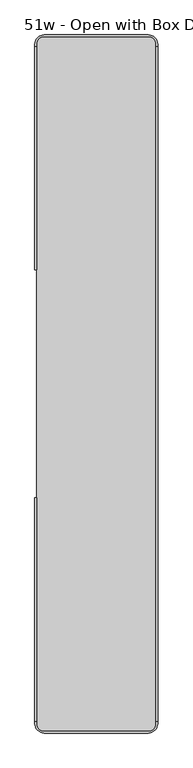
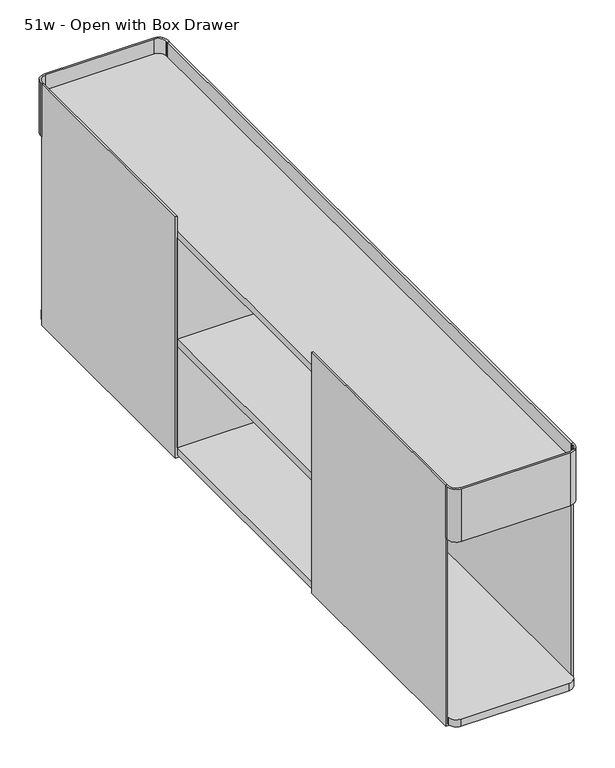
"""IFC4 building model written with IfcOpenShell, lengths in millimetres: furniture geometry, 51w - Open with Box Drawer."""

from ifc_helpers import new_model, si_unit, point, frame, frame_2d, origin, place, context, project, spatial, polyline, circle_curve, trimmed, segment, composite_curve, outline, extrude, source, transform, mapped, element, save


def furniture_51w_open_with_box_drawer_61a7637a(model_context):
    return source(origin(), model_context, "Body", "SweptSolid", [
        extrude(outline(composite_curve([segment(trimmed(circle_curve(frame_2d((96.8375, 798.524692)), 17.4625), [point((96.8375, 815.987192))], [point((114.3, 798.524692))], False, "CARTESIAN"), True, "CONTINUOUS"), segment(polyline([(114.3, 798.524692), (114.3, 795.349692), (111.125, 795.349692), (111.125, 798.524692)]), True, "CONTINUOUS"), segment(trimmed(circle_curve(frame_2d((96.8375, 798.524692)), 14.2875), [point((111.125, 798.524692))], [point((96.8375, 812.812192))], True, "CARTESIAN"), True, "CONTINUOUS"), segment(polyline([(96.8375, 812.812192), (-96.8375, 812.812192)]), True, "CONTINUOUS"), segment(trimmed(circle_curve(frame_2d((-96.8375, 798.524692)), 14.2875), [point((-96.8375, 812.812192))], [point((-111.125, 798.524692))], True, "CARTESIAN"), True, "CONTINUOUS"), segment(polyline([(-111.125, 798.524692), (-111.125, 795.349692), (-114.3, 795.349692), (-114.3, 798.524692)]), True, "CONTINUOUS"), segment(trimmed(circle_curve(frame_2d((-96.8375, 798.524692)), 17.4625), [point((-114.3, 798.524692))], [point((-96.8375, 815.987192))], False, "CARTESIAN"), True, "CONTINUOUS"), segment(polyline([(-96.8375, 815.987192), (96.8375, 815.987192)]), True, "CONTINUOUS")], self_intersect=False)), frame((0.0, 0.0, 636.5875), z_axis=(0.0, 0.0, 1.0), x_axis=(1.0, 0.0, 0.0)), (0.0, 0.0, 1.0), 100.0125),
        extrude(outline(composite_curve([segment(polyline([(96.8375, -479.412808), (-96.8375, -479.412808)]), True, "CONTINUOUS"), segment(trimmed(circle_curve(frame_2d((-96.8375, -461.950308)), 17.4625), [point((-96.8375, -479.412808))], [point((-114.3, -461.950308))], False, "CARTESIAN"), True, "CONTINUOUS"), segment(polyline([(-114.3, -461.950308), (-114.3, -458.775308), (-111.125, -458.775308), (-111.125, -461.950308)]), True, "CONTINUOUS"), segment(trimmed(circle_curve(frame_2d((-96.8375, -461.950308)), 14.2875), [point((-111.125, -461.950308))], [point((-96.8375, -476.237808))], True, "CARTESIAN"), True, "CONTINUOUS"), segment(polyline([(-96.8375, -476.237808), (96.8375, -476.237808)]), True, "CONTINUOUS"), segment(trimmed(circle_curve(frame_2d((96.8375, -461.950308)), 14.2875), [point((96.8375, -476.237808))], [point((111.125, -461.950308))], True, "CARTESIAN"), True, "CONTINUOUS"), segment(polyline([(111.125, -461.950308), (111.125, -458.775308), (114.3, -458.775308), (114.3, -461.950308)]), True, "CONTINUOUS"), segment(trimmed(circle_curve(frame_2d((96.8375, -461.950308)), 17.4625), [point((114.3, -461.950308))], [point((96.8375, -479.412808))], False, "CARTESIAN"), True, "CONTINUOUS")], self_intersect=False)), frame((0.0, 0.0, 636.5875), z_axis=(0.0, 0.0, 1.0), x_axis=(1.0, 0.0, 0.0)), (0.0, 0.0, 1.0), 100.0125),
        extrude(outline(polyline([(381.012192, 695.2773648), (381.012192, 299.640625), (403.2370951, 299.640625), (403.2370951, 298.053125), (379.7930077, 298.053125), (379.7930077, 695.2773648), (381.012192, 695.2773648)])), frame((-111.125, 0.0, 0.0), z_axis=(1.0, 0.0, 0.0), x_axis=(0.0, 1.0, 0.0)), (0.0, 0.0, 1.0), 222.25),
        extrude(outline(polyline([(-44.437808, 695.2773648), (-43.2186237, 695.2773648), (-43.2186237, 298.053125), (-66.6627111, 298.053125), (-66.6627111, 299.640625), (-44.437808, 299.640625), (-44.437808, 695.2773648)])), frame((-111.125, 0.0, 0.0), z_axis=(1.0, 0.0, 0.0), x_axis=(0.0, 1.0, 0.0)), (0.0, 0.0, 1.0), 222.25),
        extrude(outline(polyline([(279.4, -114.3), (279.4, -88.8999992), (284.1625, -88.8999992), (284.1625, -111.125), (736.6, -111.125), (736.6, -114.3), (279.4, -114.3)])), frame((0.0, 379.7930077, 0.0), z_axis=(0.0, 1.0, 0.0), x_axis=(0.0, 0.0, 1.0)), (0.0, 0.0, 1.0), 415.5566843),
        extrude(outline(polyline([(279.4, -114.3), (279.4, -88.8999992), (284.1625, -88.8999992), (284.1625, -111.125), (736.6, -111.125), (736.6, -114.3), (279.4, -114.3)])), frame((0.0, -458.775308, 0.0), z_axis=(0.0, 1.0, 0.0), x_axis=(0.0, 0.0, 1.0)), (0.0, 0.0, 1.0), 415.5566843),
        extrude(outline(polyline([(279.4, 114.3), (736.6, 114.3), (736.6, 111.125), (284.1625, 111.125), (284.1625, 88.8999992), (279.4, 88.8999992), (279.4, 114.3)])), frame((0.0, -458.775308, 0.0), z_axis=(0.0, 1.0, 0.0), x_axis=(0.0, 0.0, 1.0)), (0.0, 0.0, 1.0), 1254.125),
        extrude(outline(polyline([(-111.125, -43.2186237), (-111.125, 379.7930077), (111.125, 379.7930077), (111.125, -43.2186237), (-111.125, -43.2186237)])), frame((0.0, 0.0, 490.0929898), z_axis=(0.0, 0.0, 1.0), x_axis=(1.0, 0.0, 0.0)), (0.0, 0.0, 1.0), 13.890625),
        extrude(outline(composite_curve([segment(polyline([(96.8375, -476.237808), (-96.8375, -476.237808)]), True, "CONTINUOUS"), segment(trimmed(circle_curve(frame_2d((-96.8375, -461.950308)), 14.2875), [point((-96.8375, -476.237808))], [point((-111.125, -461.950308))], False, "CARTESIAN"), True, "CONTINUOUS"), segment(polyline([(-111.125, -461.950308), (-111.125, 798.524692)]), True, "CONTINUOUS"), segment(trimmed(circle_curve(frame_2d((-96.8375, 798.524692)), 14.2875), [point((-111.125, 798.524692))], [point((-96.8375, 812.812192))], False, "CARTESIAN"), True, "CONTINUOUS"), segment(polyline([(-96.8375, 812.812192), (96.04375, 812.812192)]), True, "CONTINUOUS"), segment(trimmed(circle_curve(frame_2d((96.04375, 797.730942)), 15.08125), [point((96.04375, 812.812192))], [point((111.125, 797.730942))], False, "CARTESIAN"), True, "CONTINUOUS"), segment(polyline([(111.125, 797.730942), (111.125, -461.950308)]), True, "CONTINUOUS"), segment(trimmed(circle_curve(frame_2d((96.8375, -461.950308)), 14.2875), [point((111.125, -461.950308))], [point((96.8375, -476.237808))], False, "CARTESIAN"), True, "CONTINUOUS")], self_intersect=False)), frame((0.0, 0.0, 695.2773648), z_axis=(0.0, 0.0, 1.0), x_axis=(1.0, 0.0, 0.0)), (0.0, 0.0, 1.0), 13.49375),
        extrude(outline(composite_curve([segment(polyline([(96.8375, -476.237808), (-96.8375, -476.237808)]), True, "CONTINUOUS"), segment(trimmed(circle_curve(frame_2d((-96.8375, -461.950308)), 14.2875), [point((-96.8375, -476.237808))], [point((-111.125, -461.950308))], False, "CARTESIAN"), True, "CONTINUOUS"), segment(polyline([(-111.125, -461.950308), (-111.125, 798.524692)]), True, "CONTINUOUS"), segment(trimmed(circle_curve(frame_2d((-96.8375, 798.524692)), 14.2875), [point((-111.125, 798.524692))], [point((-96.8375, 812.812192))], False, "CARTESIAN"), True, "CONTINUOUS"), segment(polyline([(-96.8375, 812.812192), (96.04375, 812.812192)]), True, "CONTINUOUS"), segment(trimmed(circle_curve(frame_2d((96.04375, 797.730942)), 15.08125), [point((96.04375, 812.812192))], [point((111.125, 797.730942))], False, "CARTESIAN"), True, "CONTINUOUS"), segment(polyline([(111.125, 797.730942), (111.125, -461.950308)]), True, "CONTINUOUS"), segment(trimmed(circle_curve(frame_2d((96.8375, -461.950308)), 14.2875), [point((111.125, -461.950308))], [point((96.8375, -476.237808))], False, "CARTESIAN"), True, "CONTINUOUS")], self_intersect=False)), frame((0.0, 0.0, 284.1625), z_axis=(0.0, 0.0, 1.0), x_axis=(1.0, 0.0, 0.0)), (0.0, 0.0, 1.0), 13.890625),
    ])


if __name__ == "__main__":
    model = new_model("IFC4")
    model_context = context("Model", 3, world=origin())
    ifc_project = project(units=[si_unit("LENGTHUNIT", "METRE", prefix="MILLI")], contexts=[model_context])
    site = spatial("IfcSite", under=ifc_project)
    building = spatial("IfcBuilding", under=site)
    placement = place(None, origin())
    furniture_51w_open_with_box_drawer_shape = furniture_51w_open_with_box_drawer_61a7637a(model_context)
    element("IfcFurniture", 1, ObjectType="51w - Open with Box Drawer", at=placement, inside=building, context=model_context, shape_type="MappedRepresentation", body=[
        mapped(furniture_51w_open_with_box_drawer_shape, transform((0.0, 0.0, 0.0), x_axis=(1.0, 0.0, 0.0), y_axis=(0.0, 1.0, 0.0), z_axis=(0.0, 0.0, 1.0))),
    ])
    save(model, "model.ifc")
